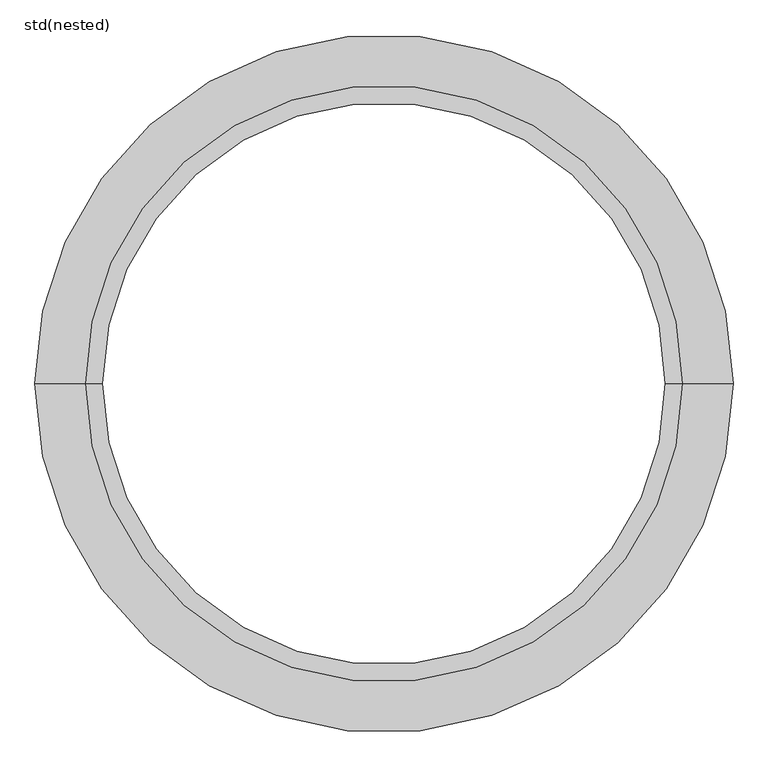
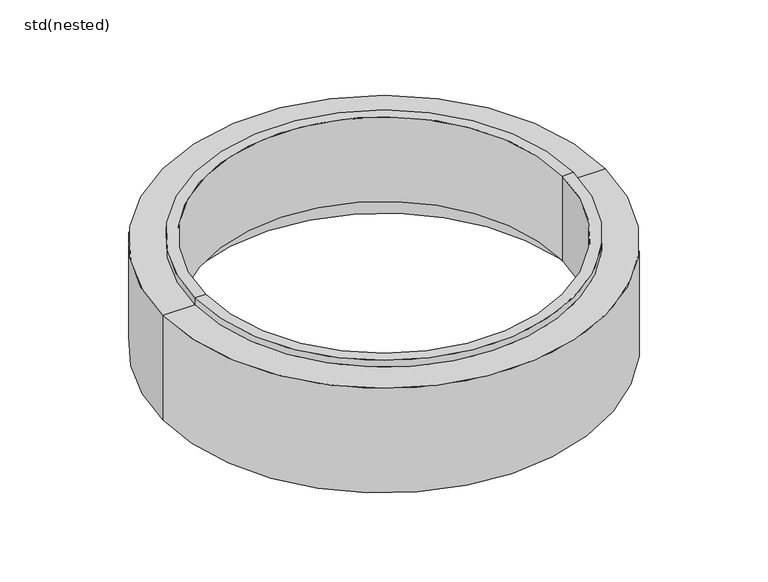
"""IFC4 building model written with IfcOpenShell, lengths in millimetres: unitary equipment geometry, std(nested)."""

from ifc_helpers import new_model, si_unit, frame, origin, place, context, project, spatial, polyline, circle_curve, source, transform, mapped, element, save
from ifc_brep_helpers import plane_surface, cylinder_surface, revolved_surface, advanced_brep


def std_nested_21ccb6c3(model_context):
    return source(origin(), model_context, "Body", "AdvancedBrep", [
        advanced_brep(
        [(500.0, 0.0, -1230.0), (-500.0, 0.0, -1230.0), (-500.0, 0.0, -1480.0), (500.0, 0.0, -1480.0), (530.0, 0.0, -1230.0), (-530.0, 0.0, -1230.0), (530.0, 0.0, -1250.0), (-530.0, 0.0, -1250.0), (620.0, 0.0, -1250.0), (-620.0, 0.0, -1250.0), (620.0, 0.0, -1560.0), (-620.0, 0.0, -1560.0), (565.0, 0.0, -1560.0), (-565.0, 0.0, -1560.0), (565.0, 0.0, -1480.0), (-565.0, 0.0, -1480.0)],
        [
            (0, 1, circle_curve(frame((0.0, 0.0, -1230.0), z_axis=(0.0, 0.0, 1.0), x_axis=(-1.0, 0.0, 0.0)), 500.0)),
            (1, 2),
            (2, 3, circle_curve(frame((0.0, 0.0, -1480.0), z_axis=(0.0, 0.0, -1.0), x_axis=(-1.0, 0.0, 0.0)), 500.0)),
            (3, 0),
            (1, 0, circle_curve(frame((0.0, 0.0, -1230.0), z_axis=(0.0, 0.0, 1.0), x_axis=(-1.0, 0.0, 0.0)), 500.0)),
            (3, 2, circle_curve(frame((0.0, 0.0, -1480.0), z_axis=(0.0, 0.0, -1.0), x_axis=(-1.0, 0.0, 0.0)), 500.0)),
            (4, 5, circle_curve(frame((0.0, 0.0, -1230.0), z_axis=(0.0, 0.0, 1.0), x_axis=(-1.0, 0.0, 0.0)), 530.0)),
            (5, 1),
            (0, 4),
            (5, 4, circle_curve(frame((0.0, 0.0, -1230.0), z_axis=(0.0, 0.0, 1.0), x_axis=(-1.0, 0.0, 0.0)), 530.0)),
            (6, 7, circle_curve(frame((0.0, 0.0, -1250.0), z_axis=(0.0, 0.0, 1.0), x_axis=(-1.0, 0.0, 0.0)), 530.0)),
            (7, 5),
            (4, 6),
            (7, 6, circle_curve(frame((0.0, 0.0, -1250.0), z_axis=(0.0, 0.0, 1.0), x_axis=(-1.0, 0.0, 0.0)), 530.0)),
            (8, 9, circle_curve(frame((0.0, 0.0, -1250.0), z_axis=(0.0, 0.0, 1.0), x_axis=(-1.0, 0.0, 0.0)), 620.0)),
            (9, 7),
            (6, 8),
            (9, 8, circle_curve(frame((0.0, 0.0, -1250.0), z_axis=(0.0, 0.0, 1.0), x_axis=(-1.0, 0.0, 0.0)), 620.0)),
            (10, 11, circle_curve(frame((0.0, 0.0, -1560.0), z_axis=(0.0, 0.0, 1.0), x_axis=(-1.0, 0.0, 0.0)), 620.0)),
            (11, 9),
            (8, 10),
            (11, 10, circle_curve(frame((0.0, 0.0, -1560.0), z_axis=(0.0, 0.0, 1.0), x_axis=(-1.0, 0.0, 0.0)), 620.0)),
            (12, 13, circle_curve(frame((0.0, 0.0, -1560.0), z_axis=(0.0, 0.0, 1.0), x_axis=(-1.0, 0.0, 0.0)), 565.0)),
            (13, 11),
            (10, 12),
            (13, 12, circle_curve(frame((0.0, 0.0, -1560.0), z_axis=(0.0, 0.0, 1.0), x_axis=(-1.0, 0.0, 0.0)), 565.0)),
            (14, 15, circle_curve(frame((0.0, 0.0, -1480.0), z_axis=(0.0, 0.0, 1.0), x_axis=(-1.0, 0.0, 0.0)), 565.0)),
            (15, 13),
            (12, 14),
            (15, 14, circle_curve(frame((0.0, 0.0, -1480.0), z_axis=(0.0, 0.0, 1.0), x_axis=(-1.0, 0.0, 0.0)), 565.0)),
            (2, 15),
            (14, 3),
        ],
        [
            revolved_surface(polyline([(-500.0, 0.0, -1480.0), (-500.0, 0.0, -1230.0)]), (0.0, 0.0, 2590.0), (0.0, 0.0, -1.0)),
            plane_surface(frame((0.0, 0.0, -1230.0), z_axis=(0.0, 0.0, 1.0), x_axis=(-1.0, 0.0, 0.0))),
            cylinder_surface(frame((0.0, 0.0, 2590.0), z_axis=(0.0, 0.0, -1.0), x_axis=(-1.0, 0.0, 0.0)), 530.0),
            plane_surface(frame((0.0, 0.0, -1250.0), z_axis=(0.0, 0.0, 1.0), x_axis=(-1.0, 0.0, 0.0))),
            cylinder_surface(frame((0.0, 0.0, 2590.0), z_axis=(0.0, 0.0, -1.0), x_axis=(-1.0, 0.0, 0.0)), 620.0),
            plane_surface(frame((0.0, 0.0, -1560.0), z_axis=(0.0, 0.0, -1.0), x_axis=(-1.0, 0.0, 0.0))),
            revolved_surface(polyline([(-565.0, 0.0, -1560.0), (-565.0, 0.0, -1480.0)]), (0.0, 0.0, 2590.0), (0.0, 0.0, -1.0)),
            plane_surface(frame((0.0, 0.0, -1480.0), z_axis=(0.0, 0.0, -1.0), x_axis=(-1.0, 0.0, 0.0))),
        ],
        [
            (0, [[1, 2, 3, 4]]),
            (0, [[5, -4, 6, -2]]),
            (1, [[7, 8, -1, 9]]),
            (1, [[10, -9, -5, -8]]),
            (2, [[11, 12, -7, 13]]),
            (2, [[14, -13, -10, -12]]),
            (3, [[15, 16, -11, 17]]),
            (3, [[18, -17, -14, -16]]),
            (4, [[19, 20, -15, 21]]),
            (4, [[22, -21, -18, -20]]),
            (5, [[23, 24, -19, 25]]),
            (5, [[26, -25, -22, -24]]),
            (6, [[27, 28, -23, 29]]),
            (6, [[30, -29, -26, -28]]),
            (7, [[-3, 31, -27, 32]]),
            (7, [[-6, -32, -30, -31]]),
        ],
    ),
    ])


if __name__ == "__main__":
    model = new_model("IFC4")
    model_context = context("Model", 3, world=origin())
    ifc_project = project(units=[si_unit("LENGTHUNIT", "METRE", prefix="MILLI")], contexts=[model_context])
    site = spatial("IfcSite", under=ifc_project)
    building = spatial("IfcBuilding", under=site)
    placement = place(None, origin())
    std_nested_shape = std_nested_21ccb6c3(model_context)
    element("IfcUnitaryEquipment", 1, ObjectType="std(nested)", at=placement, inside=building, context=model_context, shape_type="MappedRepresentation", body=[
        mapped(std_nested_shape, transform((0.0, 0.0, 0.0), x_axis=(1.0, 0.0, 0.0), y_axis=(0.0, 1.0, 0.0), z_axis=(0.0, 0.0, 1.0))),
    ])
    save(model, "model.ifc")
